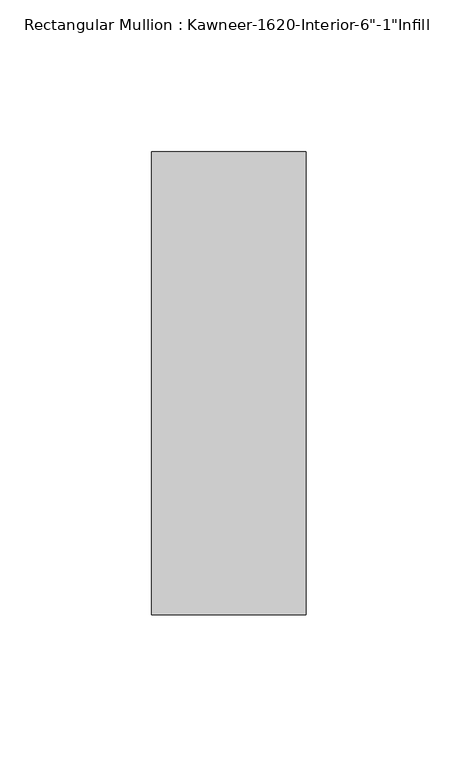
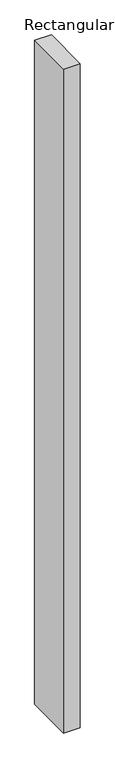
"""IFC4 building model written with IfcOpenShell, lengths in millimetres: member geometry."""

from ifc_helpers import new_model, si_unit, frame, origin, place, context, project, spatial, polyline, outline, extrude, source, transform, mapped, element, save


def member_c5cdb252(model_context):
    return source(origin(), model_context, "Body", "SweptSolid", [
        extrude(outline(polyline([(25.4, -114.3), (-25.4, -114.3), (-25.4, 38.1), (25.4, 38.1), (25.4, -114.3)])), frame((0.0, 0.0, -2143.125), z_axis=(0.0, 0.0, 1.0), x_axis=(1.0, 0.0, 0.0)), (0.0, 0.0, 1.0), 2143.125),
    ])


if __name__ == "__main__":
    model = new_model("IFC4")
    model_context = context("Model", 3, world=origin())
    ifc_project = project(units=[si_unit("LENGTHUNIT", "METRE", prefix="MILLI")], contexts=[model_context])
    site = spatial("IfcSite", under=ifc_project)
    building = spatial("IfcBuilding", under=site)
    placement = place(None, origin())
    member_shape = member_c5cdb252(model_context)
    element("IfcMember", 1, ObjectType="Rectangular Mullion : Kawneer-1620-Interior-6\"-1\"Infill", at=placement, inside=building, context=model_context, shape_type="MappedRepresentation", body=[
        mapped(member_shape, transform((0.0, 0.0, 0.0), x_axis=(1.0, 0.0, 0.0), y_axis=(0.0, 1.0, 0.0), z_axis=(0.0, 0.0, 1.0))),
    ])
    save(model, "model.ifc")
